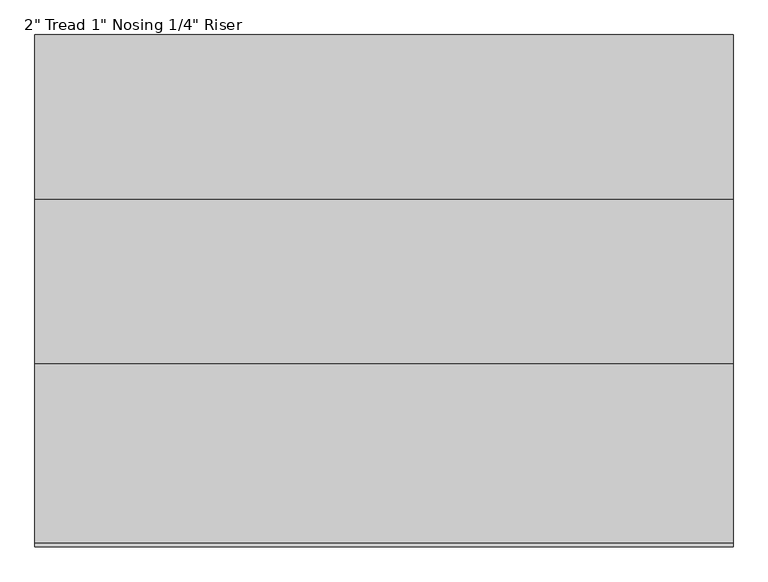
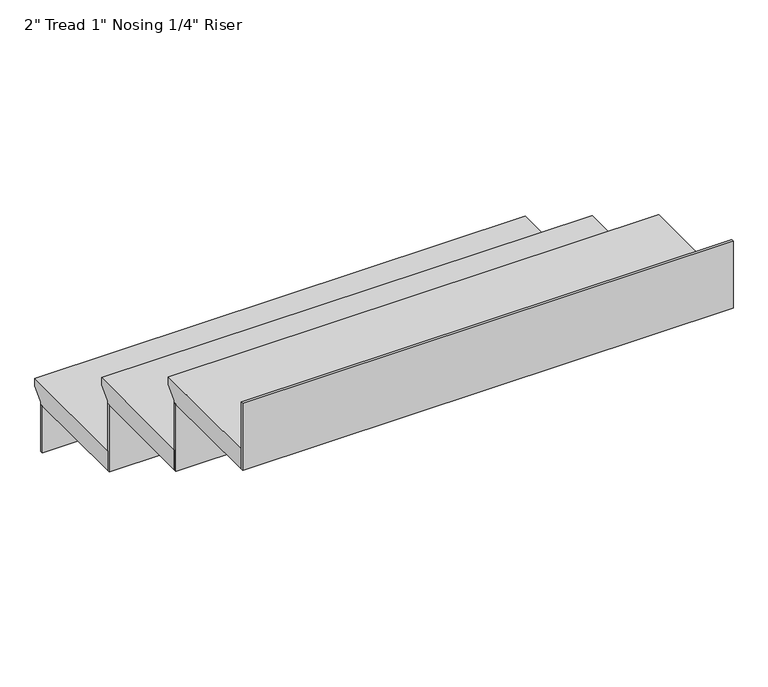
"""IFC4 building model written with IfcOpenShell, lengths in millimetres: stair flight geometry."""

from ifc_helpers import new_model, si_unit, frame, origin, place, context, project, spatial, polyline, outline, extrude, source, transform, mapped, element, save


def stair_flight_8287d797(model_context):
    return source(origin(), model_context, "Body", "SweptSolid", [
        extrude(outline(polyline([(-12783.6558393, -10039.35), (-12478.8558393, -10039.35), (-12478.8558393, -10058.4), (-12504.2558393, -10083.8), (-12504.2558393, -10090.15), (-12783.6558393, -10090.15), (-12783.6558393, -10039.35)])), frame((4596.5599268, 0.0, 0.0), z_axis=(1.0, 0.0, 0.0), x_axis=(0.0, 1.0, 0.0)), (0.0, 0.0, 1.0), 1185.1621241),
        extrude(outline(polyline([(4596.5599268, -12510.6058393), (4596.5599268, -12504.2558393), (5781.722051, -12504.2558393), (5781.722051, -12510.6058393), (4596.5599268, -12510.6058393)])), frame((0.0, 0.0, -10210.8), z_axis=(0.0, 0.0, 1.0), x_axis=(1.0, 0.0, 0.0)), (0.0, 0.0, 1.0), 120.65),
        extrude(outline(polyline([(4596.5599268, -12790.0058393), (4596.5599268, -12783.6558393), (5781.722051, -12783.6558393), (5781.722051, -12790.0058393), (4596.5599268, -12790.0058393)])), frame((0.0, 0.0, -10090.15), z_axis=(0.0, 0.0, 1.0), x_axis=(1.0, 0.0, 0.0)), (0.0, 0.0, 1.0), 171.45),
        extrude(outline(polyline([(-13063.0558393, -9867.9), (-12758.2558393, -9867.9), (-12758.2558393, -9886.95), (-12783.6558393, -9912.35), (-12783.6558393, -9918.7), (-13063.0558393, -9918.7), (-13063.0558393, -9867.9)])), frame((4596.5599268, 0.0, 0.0), z_axis=(1.0, 0.0, 0.0), x_axis=(0.0, 1.0, 0.0)), (0.0, 0.0, 1.0), 1185.1621241),
        extrude(outline(polyline([(4596.5599268, -13069.4058393), (4596.5599268, -13063.0558393), (5781.722051, -13063.0558393), (5781.722051, -13069.4058393), (4596.5599268, -13069.4058393)])), frame((0.0, 0.0, -9918.7), z_axis=(0.0, 0.0, 1.0), x_axis=(1.0, 0.0, 0.0)), (0.0, 0.0, 1.0), 171.45),
        extrude(outline(polyline([(4596.5599268, -13348.8058393), (4596.5599268, -13342.4558393), (5781.722051, -13342.4558393), (5781.722051, -13348.8058393), (4596.5599268, -13348.8058393)])), frame((0.0, 0.0, -9747.25), z_axis=(0.0, 0.0, 1.0), x_axis=(1.0, 0.0, 0.0)), (0.0, 0.0, 1.0), 171.45),
        extrude(outline(polyline([(-13342.4558393, -9696.45), (-13037.6558393, -9696.45), (-13037.6558393, -9715.5), (-13063.0558393, -9740.9), (-13063.0558393, -9747.25), (-13342.4558393, -9747.25), (-13342.4558393, -9696.45)])), frame((4596.5599268, 0.0, 0.0), z_axis=(1.0, 0.0, 0.0), x_axis=(0.0, 1.0, 0.0)), (0.0, 0.0, 1.0), 1185.1621241),
    ])


if __name__ == "__main__":
    model = new_model("IFC4")
    model_context = context("Model", 3, world=origin())
    ifc_project = project(units=[si_unit("LENGTHUNIT", "METRE", prefix="MILLI")], contexts=[model_context])
    site = spatial("IfcSite", under=ifc_project)
    building = spatial("IfcBuilding", under=site)
    placement = place(None, origin())
    stair_flight_shape = stair_flight_8287d797(model_context)
    element("IfcStairFlight", 1, ObjectType="2\" Tread 1\" Nosing 1/4\" Riser", at=placement, inside=building, context=model_context, shape_type="MappedRepresentation", body=[
        mapped(stair_flight_shape, transform((0.0, 0.0, 0.0), x_axis=(1.0, 0.0, 0.0), y_axis=(0.0, 1.0, 0.0), z_axis=(0.0, 0.0, 1.0))),
    ])
    save(model, "model.ifc")
